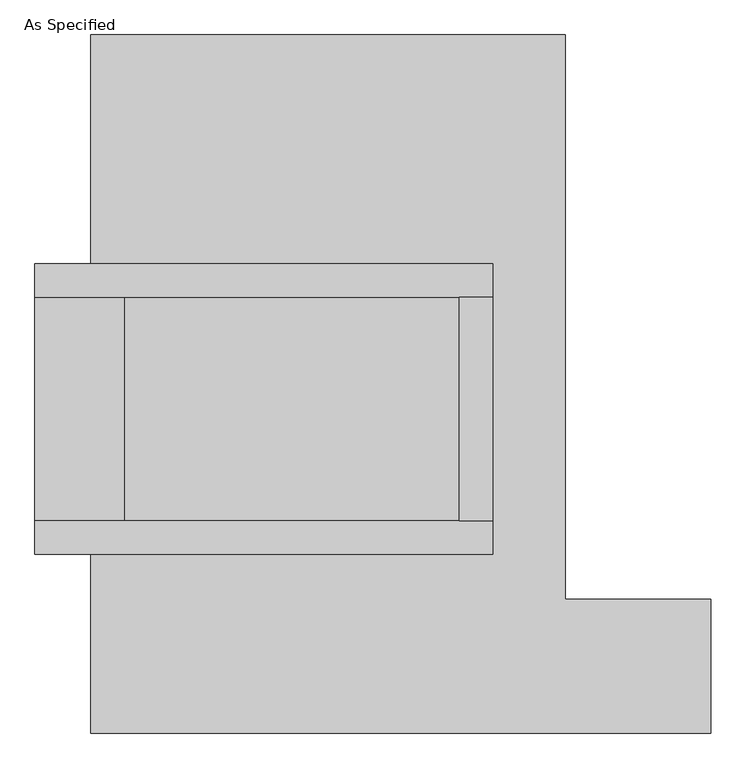
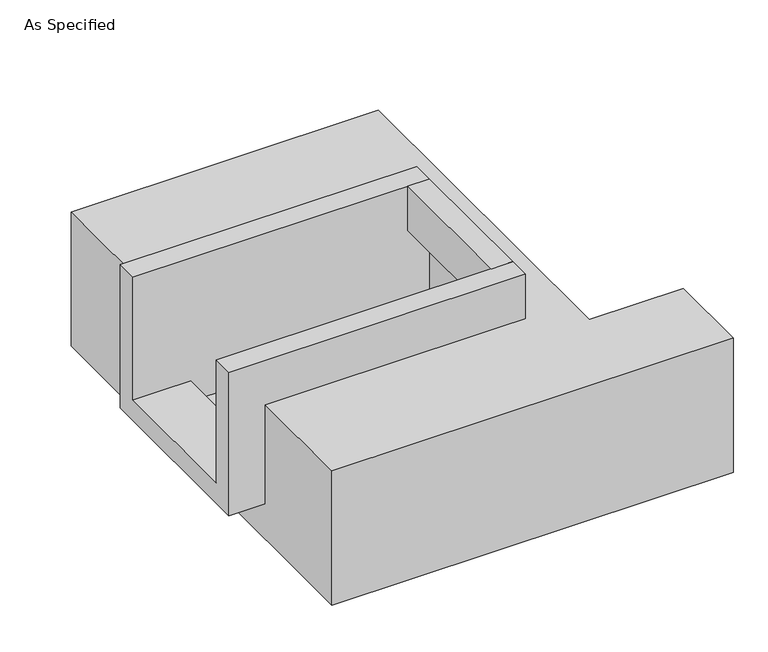
"""IFC4 building model written with IfcOpenShell, lengths in millimetres: proxy geometry, As Specified."""

import ifcopenshell
import ifcopenshell.guid

model = None  # the IFC model being written
_history = None  # IfcOwnerHistory: only IFC2X3 demands one
_inside = {}  # id of a spatial element -> (the spatial element, [elements in it])
_under = {}  # id of a project, library or spatial element -> (it, [spatial elements below it])
_declared = {}  # id of a project -> (the project, [libraries it declares])
_typed = {}  # id of a type object -> (the type object, [elements of that type])
_made_of = {}  # id of a material, layer set ... -> (it, [elements and type objects made of it])


def new_model(schema):
    """Start an empty IFC model of exactly this schema.

    Asked for "IFC4X3", IfcOpenShell would pick the latest addendum, in which some entities
    have other attributes; the version numbers below select the first issue.
    IFC2X3 requires an IfcOwnerHistory on every rooted entity: one is made here for all.
    """
    global model, _history
    if schema == "IFC4X3":
        model = ifcopenshell.file(schema_version=(4, 3, 0, 0))
    else:
        model = ifcopenshell.file(schema=schema)
    _inside.clear()
    _under.clear()
    _declared.clear()
    _typed.clear()
    _made_of.clear()
    _history = None
    if model.schema == "IFC2X3":
        org = make("IfcOrganization", Name="unknown")
        user = make(
            "IfcPersonAndOrganization",
            ThePerson=make("IfcPerson", FamilyName="unknown"),
            TheOrganization=org,
        )
        app = make(
            "IfcApplication",
            ApplicationDeveloper=org,
            Version="unknown",
            ApplicationFullName="unknown",
            ApplicationIdentifier="unknown",
        )
        _history = make(
            "IfcOwnerHistory",
            OwningUser=user,
            OwningApplication=app,
            ChangeAction="ADDED",
            CreationDate=0,
        )
    return model


def make(cls, **values):
    """One entity of the class cls with the attributes given. An attribute that is None is left unset."""
    return model.create_entity(
        cls, **{name: value for name, value in values.items() if value is not None}
    )


def rooted(cls, **values):
    """An entity with a GlobalId (a new one), such as an element, a storey or a relation."""
    return make(cls, GlobalId=ifcopenshell.guid.new(), OwnerHistory=_history, **values)


def si_unit(unit_type, name, prefix=None):
    """IfcSIUnit, for example si_unit("LENGTHUNIT", "METRE", prefix="MILLI")."""
    return make("IfcSIUnit", UnitType=unit_type, Prefix=prefix, Name=name)


def assignment(units):
    """IfcUnitAssignment: the units of a project."""
    return None if units is None else make("IfcUnitAssignment", Units=units)


def point(xyz):
    """IfcCartesianPoint."""
    return None if xyz is None else make("IfcCartesianPoint", Coordinates=xyz)


def direction(xyz):
    """IfcDirection."""
    return None if xyz is None else make("IfcDirection", DirectionRatios=xyz)


def frame(location, z_axis=None, x_axis=None):
    """IfcAxis2Placement3D, a coordinate frame: its origin and axes. An axis left out is left unset."""
    return make(
        "IfcAxis2Placement3D",
        Location=point(location),
        Axis=direction(z_axis),
        RefDirection=direction(x_axis),
    )


def origin():
    """The frame at (0, 0, 0) with its axes left unset."""
    return frame((0.0, 0.0, 0.0))


def place(relative_to, where):
    """IfcLocalPlacement: puts the frame where relative to a parent placement (None: the world)."""
    return make(
        "IfcLocalPlacement", PlacementRelTo=relative_to, RelativePlacement=where
    )


def context(
    kind, dimensions, precision=None, world=None, true_north=None, identifier=None
):
    """IfcGeometricRepresentationContext, for example the 3D "Model" context."""
    return make(
        "IfcGeometricRepresentationContext",
        ContextIdentifier=identifier,
        ContextType=kind,
        CoordinateSpaceDimension=dimensions,
        Precision=precision,
        WorldCoordinateSystem=world,
        TrueNorth=true_north,
    )


def project(units=None, contexts=None):
    """IfcProject with its units and contexts."""
    return rooted(
        "IfcProject",
        Name="project",
        RepresentationContexts=contexts,
        UnitsInContext=assignment(units),
    )


def spatial(cls, under=None, at=None, **own):
    """A site, building, storey or space (cls), placed at a placement, below another one or the project."""
    s = rooted(cls, ObjectPlacement=at, **own)
    if under is not None:
        _under.setdefault(under.id(), (under, []))[1].append(s)
    return s


def polyline(points):
    """IfcPolyline through the points."""
    return make("IfcPolyline", Points=[point(p) for p in points])


def outline(outer, holes=None, kind="AREA"):
    """IfcArbitraryClosedProfileDef: a profile drawn as a closed curve; with holes, ...WithVoids."""
    if holes is None:
        return make("IfcArbitraryClosedProfileDef", ProfileType=kind, OuterCurve=outer)
    return make(
        "IfcArbitraryProfileDefWithVoids",
        ProfileType=kind,
        OuterCurve=outer,
        InnerCurves=holes,
    )


def extrude(swept, where, along, depth):
    """IfcExtrudedAreaSolid: the profile swept, set in the frame where, extruded along a direction by depth."""
    return make(
        "IfcExtrudedAreaSolid",
        SweptArea=swept,
        Position=where,
        ExtrudedDirection=direction(along),
        Depth=depth,
    )


def faces_of(points, faces, orient=None, outer=None):
    """IfcFace entities. A face is a list of loops; a loop is a list of indices into points, from 0.

    orient and outer hold one flag for each loop. By default every Orientation is true, the
    first loop of a face is its IfcFaceOuterBound and the others are IfcFaceBound.
    """
    made = []
    for i, loops in enumerate(faces):
        bounds = []
        for j, loop in enumerate(loops):
            is_outer = j == 0 if outer is None else outer[i][j]
            bounds.append(
                make(
                    "IfcFaceOuterBound" if is_outer else "IfcFaceBound",
                    Bound=make("IfcPolyLoop", Polygon=[points[k] for k in loop]),
                    Orientation=True if orient is None else orient[i][j],
                )
            )
        made.append(make("IfcFace", Bounds=bounds))
    return made


def faceted_brep(points, faces, orient=None, outer=None, voids=None):
    """IfcFacetedBrep: a solid bounded by flat faces; with voids (closed shells), ...WithVoids."""
    shared = [point(p) for p in points]
    hull = make("IfcClosedShell", CfsFaces=faces_of(shared, faces, orient, outer))
    if voids is None:
        return make("IfcFacetedBrep", Outer=hull)
    return make(
        "IfcFacetedBrepWithVoids",
        Outer=hull,
        Voids=[
            make(cls, CfsFaces=faces_of(shared, fs, o, b)) for cls, fs, o, b in voids
        ],
    )


def shape(context_of_items, identifier, shape_type, items):
    """IfcShapeRepresentation: the items that make up one representation, for example the "Body"."""
    return make(
        "IfcShapeRepresentation",
        ContextOfItems=context_of_items,
        RepresentationIdentifier=identifier,
        RepresentationType=shape_type,
        Items=items,
    )


def source(mapping_origin, context_of_items, identifier, shape_type, items):
    """IfcRepresentationMap: a shape defined once, which mapped items show again and again."""
    return make(
        "IfcRepresentationMap",
        MappingOrigin=mapping_origin,
        MappedRepresentation=shape(context_of_items, identifier, shape_type, items),
    )


def transform(
    local_origin,
    x_axis=None,
    y_axis=None,
    z_axis=None,
    scale=None,
    scale2=None,
    scale3=None,
    uniform=True,
):
    """IfcCartesianTransformationOperator3D, or its non-uniform kind. x_axis, y_axis, z_axis: its Axis1, 2, 3."""
    if uniform:
        return make(
            "IfcCartesianTransformationOperator3D",
            Axis1=direction(x_axis),
            Axis2=direction(y_axis),
            LocalOrigin=point(local_origin),
            Scale=scale,
            Axis3=direction(z_axis),
        )
    return make(
        "IfcCartesianTransformationOperator3DnonUniform",
        Axis1=direction(x_axis),
        Axis2=direction(y_axis),
        LocalOrigin=point(local_origin),
        Scale=scale,
        Axis3=direction(z_axis),
        Scale2=scale2,
        Scale3=scale3,
    )


def mapped(mapping_source, mapping_target):
    """IfcMappedItem: shows the shape of a source again, moved by a transform."""
    return make(
        "IfcMappedItem", MappingSource=mapping_source, MappingTarget=mapping_target
    )


def made_of(thing, what):
    """Note that an element or type object is made of a material, layer set ...; save() writes the relation."""
    if what is not None:
        _made_of.setdefault(what.id(), (what, []))[1].append(thing)
    return thing


def element(
    cls,
    number,
    at=None,
    inside=None,
    cuts=None,
    type_object=None,
    material=None,
    context=None,
    identifier="Body",
    shape_type=None,
    held_by="IfcProductDefinitionShape",
    body=None,
    shapes=None,
    **own,
):
    """One element of the class cls, such as IfcWall. Its Tag is "e" and its number.

    at: its placement. inside: the storey or other place that contains it. cuts: it is an
    opening in that element (IfcRelVoidsElement). A single representation is given by context,
    identifier, shape_type and body (its items); several are given by shapes. held_by: the class
    of the entity that holds the representations. save() writes the other relations.
    """
    e = rooted(cls, Tag="e%d" % number, ObjectPlacement=at, **own)
    if body is not None:
        shapes = [shape(context, identifier, shape_type, body)]
    if shapes is not None:
        e.Representation = make(held_by, Representations=shapes)
    if inside is not None:
        _inside.setdefault(inside.id(), (inside, []))[1].append(e)
    if cuts is not None:
        rooted(
            "IfcRelVoidsElement", RelatingBuildingElement=cuts, RelatedOpeningElement=e
        )
    if type_object is not None:
        _typed.setdefault(type_object.id(), (type_object, []))[1].append(e)
    return made_of(e, material)


def aggregate(whole, parts):
    """IfcRelAggregates: a whole, such as a stair, and the parts it consists of."""
    return rooted("IfcRelAggregates", RelatingObject=whole, RelatedObjects=parts)


def save(model, path):
    """Write the relations noted so far, then the file.

    IfcRelAggregates (storeys below a building ...), IfcRelContainedInSpatialStructure (elements
    in a storey), IfcRelDefinesByType, IfcRelAssociatesMaterial and IfcRelDeclares: one each for
    every whole, place, type object, material and project.
    """
    for whole, parts in _under.values():
        aggregate(whole, parts)
    for where, things in _inside.values():
        rooted(
            "IfcRelContainedInSpatialStructure",
            RelatedElements=things,
            RelatingStructure=where,
        )
    for kind, things in _typed.values():
        rooted("IfcRelDefinesByType", RelatedObjects=things, RelatingType=kind)
    for what, things in _made_of.values():
        rooted("IfcRelAssociatesMaterial", RelatedObjects=things, RelatingMaterial=what)
    for by, libraries in _declared.values():
        rooted("IfcRelDeclares", RelatingContext=by, RelatedDefinitions=libraries)
    model.write(path)


def as_specified_1ac27ff9(model_context):
    return source(origin(), model_context, "Body", "SolidModel", [
        extrude(outline(polyline([(298.45, 196.85), (374.65, 196.85), (374.65, -311.15), (298.45, -311.15), (298.45, 196.85)])), frame((0.0, 0.0, -25.4), z_axis=(0.0, 0.0, 1.0), x_axis=(1.0, 0.0, 0.0)), (0.0, 0.0, 1.0), 165.1),
        faceted_brep([(374.65, 196.85, 139.7), (374.65, 196.85, -317.5), (374.65, -311.15, -317.5), (374.65, -311.15, 139.7), (374.65, -387.35, 139.7), (374.65, -387.35, -393.7), (374.65, 273.05, -393.7), (374.65, 273.05, 139.7), (-666.75, 196.85, 139.7), (-666.75, 273.05, 139.7), (-666.75, 273.05, -393.7), (-666.75, -387.35, -393.7), (-666.75, -387.35, 139.7), (-666.75, -311.15, 139.7), (-666.75, -311.15, -317.5), (-666.75, 196.85, -317.5), (-463.55, 196.85, -393.7), (-463.55, -311.15, -393.7), (298.45, -311.15, -393.7), (298.45, 196.85, -393.7), (298.45, -311.15, -317.5), (-463.55, -311.15, -317.5), (298.45, 196.85, -317.5), (-463.55, 196.85, -317.5)], [[[0, 1, 2, 3, 4, 5, 6, 7]], [[8, 9, 10, 11, 12, 13, 14, 15]], [[0, 7, 9, 8]], [[7, 6, 10, 9]], [[6, 5, 11, 10], [16, 17, 18, 19]], [[4, 3, 13, 12]], [[3, 2, 20, 18, 17, 21, 14, 13]], [[2, 1, 22, 20]], [[15, 14, 21, 23]], [[1, 0, 8, 15, 23, 16, 19, 22]], [[21, 17, 16, 23]], [[18, 20, 22, 19]], [[5, 4, 12, 11]]]),
        faceted_brep([(-539.75, 793.75, -523.9742188), (539.75, 793.75, -523.9742188), (539.75, -488.95, -523.9742188), (869.95, -488.95, -523.9742188), (869.95, -793.75, -523.9742188), (-539.75, -793.75, -523.9742188), (539.75, 793.75, -25.4), (-539.75, 793.75, -25.4), (-539.75, 273.05, -25.4), (374.65, 273.05, -25.4), (374.65, -387.35, -25.4), (-539.75, -387.35, -25.4), (-539.75, -793.75, -25.4), (869.95, -793.75, -25.4), (869.95, -488.95, -25.4), (539.75, -488.95, -25.4), (-539.75, -387.35, -393.7), (-539.75, 273.05, -393.7), (374.65, 273.05, -393.7), (374.65, -387.35, -393.7)], [[[0, 1, 2, 3, 4, 5]], [[6, 7, 8, 9, 10, 11, 12, 13, 14, 15]], [[1, 0, 7, 6]], [[7, 0, 5, 12, 11, 16, 17, 8]], [[1, 6, 15, 2]], [[5, 4, 13, 12]], [[18, 19, 10, 9]], [[17, 18, 9, 8]], [[19, 18, 17, 16]], [[19, 16, 11, 10]], [[4, 3, 14, 13]], [[3, 2, 15, 14]]]),
    ])


if __name__ == "__main__":
    model = new_model("IFC4")
    model_context = context("Model", 3, world=origin())
    ifc_project = project(units=[si_unit("LENGTHUNIT", "METRE", prefix="MILLI")], contexts=[model_context])
    site = spatial("IfcSite", under=ifc_project)
    building = spatial("IfcBuilding", under=site)
    placement = place(None, origin())
    as_specified_shape = as_specified_1ac27ff9(model_context)
    element("IfcBuildingElementProxy", 1, Name="As Specified", ObjectType="As Specified", at=placement, inside=building, context=model_context, shape_type="MappedRepresentation", body=[
        mapped(as_specified_shape, transform((0.0, 0.0, 0.0), x_axis=(1.0, 0.0, 0.0), y_axis=(0.0, 1.0, 0.0), z_axis=(0.0, 0.0, 1.0))),
    ])
    save(model, "model.ifc")
